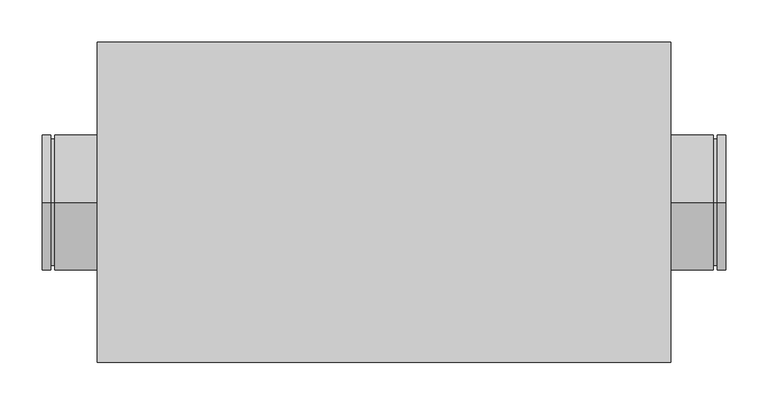
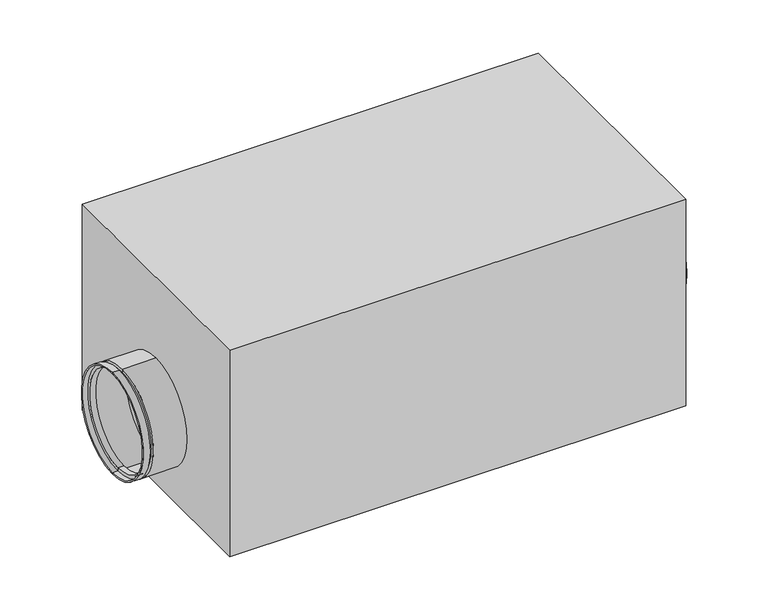
"""IFC4 building model written with IfcOpenShell, lengths in millimetres: proxy geometry."""

from ifc_helpers import new_model, si_unit, frame, origin, origin_with_axes, place, context, project, spatial, polyline, circle_curve, outline, extrude, source, transform, mapped, element, save
from ifc_brep_helpers import plane_surface, cylinder_surface, revolved_surface, advanced_brep


def mechanical_equipment_cd06f368(model_context):
    return source(origin(), model_context, "Body", "SolidModel", [
        advanced_brep(
        [(-405.0, 0.0, 40.0), (-405.0, 0.0, 196.0), (-405.0, 0.0, 198.0), (-405.0, 0.0, 38.0), (-340.0, 0.0, 38.0), (-340.0, 0.0, 198.0), (-340.0, 0.0, 196.0), (-340.0, 0.0, 40.0), (-390.0, 0.0, 38.0), (-390.0, 0.0, 198.0), (-390.0, 0.0, 43.0), (-390.0, 0.0, 193.0), (-395.0, 0.0, 43.0), (-395.0, 0.0, 193.0), (-395.0, 0.0, 38.0), (-395.0, 0.0, 198.0), (-397.0, 0.0, 40.0), (-397.0, 0.0, 196.0), (-397.0, 0.0, 45.0), (-397.0, 0.0, 191.0), (-388.0, 0.0, 45.0), (-388.0, 0.0, 191.0), (-388.0, 0.0, 40.0), (-388.0, 0.0, 196.0)],
        [
            (0, 1, circle_curve(frame((-405.0, 0.0, 118.0), z_axis=(1.0, 0.0, 0.0), x_axis=(0.0, 0.0, 1.0)), 78.0)),
            (1, 2),
            (2, 3, circle_curve(frame((-405.0, 0.0, 118.0), z_axis=(-1.0, 0.0, 0.0), x_axis=(0.0, 0.0, 1.0)), 80.0)),
            (3, 0),
            (1, 0, circle_curve(frame((-405.0, 0.0, 118.0), z_axis=(1.0, 0.0, 0.0), x_axis=(0.0, 0.0, 1.0)), 78.0)),
            (3, 2, circle_curve(frame((-405.0, 0.0, 118.0), z_axis=(-1.0, 0.0, 0.0), x_axis=(0.0, 0.0, 1.0)), 80.0)),
            (4, 5, circle_curve(frame((-340.0, 0.0, 118.0), z_axis=(1.0, 0.0, 0.0), x_axis=(0.0, 0.0, 1.0)), 80.0)),
            (5, 6),
            (6, 7, circle_curve(frame((-340.0, 0.0, 118.0), z_axis=(-1.0, 0.0, 0.0), x_axis=(0.0, 0.0, 1.0)), 78.0)),
            (7, 4),
            (5, 4, circle_curve(frame((-340.0, 0.0, 118.0), z_axis=(1.0, 0.0, 0.0), x_axis=(0.0, 0.0, 1.0)), 80.0)),
            (7, 6, circle_curve(frame((-340.0, 0.0, 118.0), z_axis=(-1.0, 0.0, 0.0), x_axis=(0.0, 0.0, 1.0)), 78.0)),
            (8, 9, circle_curve(frame((-390.0, 0.0, 118.0), z_axis=(1.0, 0.0, 0.0), x_axis=(0.0, 0.0, 1.0)), 80.0)),
            (9, 5),
            (4, 8),
            (9, 8, circle_curve(frame((-390.0, 0.0, 118.0), z_axis=(1.0, 0.0, 0.0), x_axis=(0.0, 0.0, 1.0)), 80.0)),
            (10, 11, circle_curve(frame((-390.0, 0.0, 118.0), z_axis=(1.0, 0.0, 0.0), x_axis=(0.0, 0.0, 1.0)), 75.0)),
            (11, 9),
            (8, 10),
            (11, 10, circle_curve(frame((-390.0, 0.0, 118.0), z_axis=(1.0, 0.0, 0.0), x_axis=(0.0, 0.0, 1.0)), 75.0)),
            (12, 13, circle_curve(frame((-395.0, 0.0, 118.0), z_axis=(1.0, 0.0, 0.0), x_axis=(0.0, 0.0, 1.0)), 75.0)),
            (13, 11),
            (10, 12),
            (13, 12, circle_curve(frame((-395.0, 0.0, 118.0), z_axis=(1.0, 0.0, 0.0), x_axis=(0.0, 0.0, 1.0)), 75.0)),
            (14, 15, circle_curve(frame((-395.0, 0.0, 118.0), z_axis=(1.0, 0.0, 0.0), x_axis=(0.0, 0.0, 1.0)), 80.0)),
            (15, 13),
            (12, 14),
            (15, 14, circle_curve(frame((-395.0, 0.0, 118.0), z_axis=(1.0, 0.0, 0.0), x_axis=(0.0, 0.0, 1.0)), 80.0)),
            (2, 15),
            (14, 3),
            (16, 17, circle_curve(frame((-397.0, 0.0, 118.0), z_axis=(1.0, 0.0, 0.0), x_axis=(0.0, 0.0, 1.0)), 78.0)),
            (17, 1),
            (0, 16),
            (17, 16, circle_curve(frame((-397.0, 0.0, 118.0), z_axis=(1.0, 0.0, 0.0), x_axis=(0.0, 0.0, 1.0)), 78.0)),
            (18, 19, circle_curve(frame((-397.0, 0.0, 118.0), z_axis=(1.0, 0.0, 0.0), x_axis=(0.0, 0.0, 1.0)), 73.0)),
            (19, 17),
            (16, 18),
            (19, 18, circle_curve(frame((-397.0, 0.0, 118.0), z_axis=(1.0, 0.0, 0.0), x_axis=(0.0, 0.0, 1.0)), 73.0)),
            (20, 21, circle_curve(frame((-388.0, 0.0, 118.0), z_axis=(1.0, 0.0, 0.0), x_axis=(0.0, 0.0, 1.0)), 73.0)),
            (21, 19),
            (18, 20),
            (21, 20, circle_curve(frame((-388.0, 0.0, 118.0), z_axis=(1.0, 0.0, 0.0), x_axis=(0.0, 0.0, 1.0)), 73.0)),
            (22, 23, circle_curve(frame((-388.0, 0.0, 118.0), z_axis=(1.0, 0.0, 0.0), x_axis=(0.0, 0.0, 1.0)), 78.0)),
            (23, 21),
            (20, 22),
            (23, 22, circle_curve(frame((-388.0, 0.0, 118.0), z_axis=(1.0, 0.0, 0.0), x_axis=(0.0, 0.0, 1.0)), 78.0)),
            (6, 23),
            (22, 7),
        ],
        [
            plane_surface(frame((-405.0, 0.0, 118.0), z_axis=(-1.0, 0.0, 0.0), x_axis=(0.0, 0.0, 1.0))),
            plane_surface(frame((-340.0, 0.0, 118.0), z_axis=(1.0, 0.0, 0.0), x_axis=(0.0, 0.0, 1.0))),
            cylinder_surface(frame((-1139.5786453, 0.0, 118.0), z_axis=(-1.0, 0.0, 0.0), x_axis=(0.0, 0.0, 1.0)), 80.0),
            plane_surface(frame((-390.0, 0.0, 118.0), z_axis=(-1.0, 0.0, 0.0), x_axis=(0.0, 0.0, 1.0))),
            cylinder_surface(frame((-1139.5786453, 0.0, 118.0), z_axis=(-1.0, 0.0, 0.0), x_axis=(0.0, 0.0, 1.0)), 75.0),
            plane_surface(frame((-395.0, 0.0, 118.0), z_axis=(1.0, 0.0, 0.0), x_axis=(0.0, 0.0, 1.0))),
            revolved_surface(polyline([(-405.0, 0.0, 196.0), (-397.0, 0.0, 196.0)]), (-1139.5786453, 0.0, 118.0), (-1.0, 0.0, 0.0)),
            plane_surface(frame((-397.0, 0.0, 118.0), z_axis=(-1.0, 0.0, 0.0), x_axis=(0.0, 0.0, 1.0))),
            revolved_surface(polyline([(-397.0, 0.0, 191.0), (-388.0, 0.0, 191.0)]), (-1139.5786453, 0.0, 118.0), (-1.0, 0.0, 0.0)),
            plane_surface(frame((-388.0, 0.0, 118.0), z_axis=(1.0, 0.0, 0.0), x_axis=(0.0, 0.0, 1.0))),
            revolved_surface(polyline([(-388.0, 0.0, 196.0), (-340.0, 0.0, 196.0)]), (-1139.5786453, 0.0, 118.0), (-1.0, 0.0, 0.0)),
        ],
        [
            (0, [[1, 2, 3, 4]]),
            (0, [[5, -4, 6, -2]]),
            (1, [[7, 8, 9, 10]]),
            (1, [[11, -10, 12, -8]]),
            (2, [[13, 14, -7, 15]]),
            (2, [[16, -15, -11, -14]]),
            (3, [[17, 18, -13, 19]]),
            (3, [[20, -19, -16, -18]]),
            (4, [[21, 22, -17, 23]]),
            (4, [[24, -23, -20, -22]]),
            (5, [[25, 26, -21, 27]]),
            (5, [[28, -27, -24, -26]]),
            (2, [[-3, 29, -25, 30]]),
            (2, [[-6, -30, -28, -29]]),
            (6, [[31, 32, -1, 33]]),
            (6, [[34, -33, -5, -32]]),
            (7, [[35, 36, -31, 37]]),
            (7, [[38, -37, -34, -36]]),
            (8, [[39, 40, -35, 41]]),
            (8, [[42, -41, -38, -40]]),
            (9, [[43, 44, -39, 45]]),
            (9, [[46, -45, -42, -44]]),
            (10, [[-9, 47, -43, 48]]),
            (10, [[-12, -48, -46, -47]]),
        ],
    ),
        advanced_brep(
        [(395.0, 0.0, 38.0), (395.0, 0.0, 198.0), (405.0, 0.0, 198.0), (405.0, 0.0, 38.0), (395.0, 0.0, 43.0), (395.0, 0.0, 193.0), (390.0, 0.0, 43.0), (390.0, 0.0, 193.0), (390.0, 0.0, 38.0), (390.0, 0.0, 198.0), (340.0, 0.0, 38.0), (340.0, 0.0, 198.0), (340.0, 0.0, 40.0), (340.0, 0.0, 196.0), (388.0, 0.0, 40.0), (388.0, 0.0, 196.0), (388.0, 0.0, 45.0), (388.0, 0.0, 191.0), (397.0, 0.0, 45.0), (397.0, 0.0, 191.0), (397.0, 0.0, 40.0), (397.0, 0.0, 196.0), (405.0, 0.0, 40.0), (405.0, 0.0, 196.0)],
        [
            (0, 1, circle_curve(frame((395.0, 0.0, 118.0), z_axis=(1.0, 0.0, 0.0), x_axis=(0.0, 0.0, 1.0)), 80.0)),
            (1, 2),
            (2, 3, circle_curve(frame((405.0, 0.0, 118.0), z_axis=(-1.0, 0.0, 0.0), x_axis=(0.0, 0.0, 1.0)), 80.0)),
            (3, 0),
            (1, 0, circle_curve(frame((395.0, 0.0, 118.0), z_axis=(1.0, 0.0, 0.0), x_axis=(0.0, 0.0, 1.0)), 80.0)),
            (3, 2, circle_curve(frame((405.0, 0.0, 118.0), z_axis=(-1.0, 0.0, 0.0), x_axis=(0.0, 0.0, 1.0)), 80.0)),
            (4, 5, circle_curve(frame((395.0, 0.0, 118.0), z_axis=(1.0, 0.0, 0.0), x_axis=(0.0, 0.0, 1.0)), 75.0)),
            (5, 1),
            (0, 4),
            (5, 4, circle_curve(frame((395.0, 0.0, 118.0), z_axis=(1.0, 0.0, 0.0), x_axis=(0.0, 0.0, 1.0)), 75.0)),
            (6, 7, circle_curve(frame((390.0, 0.0, 118.0), z_axis=(1.0, 0.0, 0.0), x_axis=(0.0, 0.0, 1.0)), 75.0)),
            (7, 5),
            (4, 6),
            (7, 6, circle_curve(frame((390.0, 0.0, 118.0), z_axis=(1.0, 0.0, 0.0), x_axis=(0.0, 0.0, 1.0)), 75.0)),
            (8, 9, circle_curve(frame((390.0, 0.0, 118.0), z_axis=(1.0, 0.0, 0.0), x_axis=(0.0, 0.0, 1.0)), 80.0)),
            (9, 7),
            (6, 8),
            (9, 8, circle_curve(frame((390.0, 0.0, 118.0), z_axis=(1.0, 0.0, 0.0), x_axis=(0.0, 0.0, 1.0)), 80.0)),
            (10, 11, circle_curve(frame((340.0, 0.0, 118.0), z_axis=(1.0, 0.0, 0.0), x_axis=(0.0, 0.0, 1.0)), 80.0)),
            (11, 9),
            (8, 10),
            (11, 10, circle_curve(frame((340.0, 0.0, 118.0), z_axis=(1.0, 0.0, 0.0), x_axis=(0.0, 0.0, 1.0)), 80.0)),
            (12, 13, circle_curve(frame((340.0, 0.0, 118.0), z_axis=(1.0, 0.0, 0.0), x_axis=(0.0, 0.0, 1.0)), 78.0)),
            (13, 11),
            (10, 12),
            (13, 12, circle_curve(frame((340.0, 0.0, 118.0), z_axis=(1.0, 0.0, 0.0), x_axis=(0.0, 0.0, 1.0)), 78.0)),
            (14, 15, circle_curve(frame((388.0, 0.0, 118.0), z_axis=(1.0, 0.0, 0.0), x_axis=(0.0, 0.0, 1.0)), 78.0)),
            (15, 13),
            (12, 14),
            (15, 14, circle_curve(frame((388.0, 0.0, 118.0), z_axis=(1.0, 0.0, 0.0), x_axis=(0.0, 0.0, 1.0)), 78.0)),
            (16, 17, circle_curve(frame((388.0, 0.0, 118.0), z_axis=(1.0, 0.0, 0.0), x_axis=(0.0, 0.0, 1.0)), 73.0)),
            (17, 15),
            (14, 16),
            (17, 16, circle_curve(frame((388.0, 0.0, 118.0), z_axis=(1.0, 0.0, 0.0), x_axis=(0.0, 0.0, 1.0)), 73.0)),
            (18, 19, circle_curve(frame((397.0, 0.0, 118.0), z_axis=(1.0, 0.0, 0.0), x_axis=(0.0, 0.0, 1.0)), 73.0)),
            (19, 17),
            (16, 18),
            (19, 18, circle_curve(frame((397.0, 0.0, 118.0), z_axis=(1.0, 0.0, 0.0), x_axis=(0.0, 0.0, 1.0)), 73.0)),
            (20, 21, circle_curve(frame((397.0, 0.0, 118.0), z_axis=(1.0, 0.0, 0.0), x_axis=(0.0, 0.0, 1.0)), 78.0)),
            (21, 19),
            (18, 20),
            (21, 20, circle_curve(frame((397.0, 0.0, 118.0), z_axis=(1.0, 0.0, 0.0), x_axis=(0.0, 0.0, 1.0)), 78.0)),
            (22, 23, circle_curve(frame((405.0, 0.0, 118.0), z_axis=(1.0, 0.0, 0.0), x_axis=(0.0, 0.0, 1.0)), 78.0)),
            (23, 21),
            (20, 22),
            (23, 22, circle_curve(frame((405.0, 0.0, 118.0), z_axis=(1.0, 0.0, 0.0), x_axis=(0.0, 0.0, 1.0)), 78.0)),
            (2, 23),
            (22, 3),
        ],
        [
            cylinder_surface(frame((-1139.5786453, 0.0, 118.0), z_axis=(-1.0, 0.0, 0.0), x_axis=(0.0, 0.0, 1.0)), 80.0),
            plane_surface(frame((395.0, 0.0, 118.0), z_axis=(-1.0, 0.0, 0.0), x_axis=(0.0, 0.0, 1.0))),
            cylinder_surface(frame((-1139.5786453, 0.0, 118.0), z_axis=(-1.0, 0.0, 0.0), x_axis=(0.0, 0.0, 1.0)), 75.0),
            plane_surface(frame((390.0, 0.0, 118.0), z_axis=(1.0, 0.0, 0.0), x_axis=(0.0, 0.0, 1.0))),
            plane_surface(frame((340.0, 0.0, 118.0), z_axis=(-1.0, 0.0, 0.0), x_axis=(0.0, 0.0, 1.0))),
            revolved_surface(polyline([(340.0, 0.0, 196.0), (388.0, 0.0, 196.0)]), (-1139.5786453, 0.0, 118.0), (-1.0, 0.0, 0.0)),
            plane_surface(frame((388.0, 0.0, 118.0), z_axis=(-1.0, 0.0, 0.0), x_axis=(0.0, 0.0, 1.0))),
            revolved_surface(polyline([(388.0, 0.0, 191.0), (397.0, 0.0, 191.0)]), (-1139.5786453, 0.0, 118.0), (-1.0, 0.0, 0.0)),
            plane_surface(frame((397.0, 0.0, 118.0), z_axis=(1.0, 0.0, 0.0), x_axis=(0.0, 0.0, 1.0))),
            revolved_surface(polyline([(397.0, 0.0, 196.0), (405.0, 0.0, 196.0)]), (-1139.5786453, 0.0, 118.0), (-1.0, 0.0, 0.0)),
            plane_surface(frame((405.0, 0.0, 118.0), z_axis=(1.0, 0.0, 0.0), x_axis=(0.0, 0.0, 1.0))),
        ],
        [
            (0, [[1, 2, 3, 4]]),
            (0, [[5, -4, 6, -2]]),
            (1, [[7, 8, -1, 9]]),
            (1, [[10, -9, -5, -8]]),
            (2, [[11, 12, -7, 13]]),
            (2, [[14, -13, -10, -12]]),
            (3, [[15, 16, -11, 17]]),
            (3, [[18, -17, -14, -16]]),
            (0, [[19, 20, -15, 21]]),
            (0, [[22, -21, -18, -20]]),
            (4, [[23, 24, -19, 25]]),
            (4, [[26, -25, -22, -24]]),
            (5, [[27, 28, -23, 29]]),
            (5, [[30, -29, -26, -28]]),
            (6, [[31, 32, -27, 33]]),
            (6, [[34, -33, -30, -32]]),
            (7, [[35, 36, -31, 37]]),
            (7, [[38, -37, -34, -36]]),
            (8, [[39, 40, -35, 41]]),
            (8, [[42, -41, -38, -40]]),
            (9, [[43, 44, -39, 45]]),
            (9, [[46, -45, -42, -44]]),
            (10, [[-3, 47, -43, 48]]),
            (10, [[-6, -48, -46, -47]]),
        ],
    ),
        extrude(outline(polyline([(-340.0, -190.0), (-340.0, 190.0), (340.0, 190.0), (340.0, -190.0), (-340.0, -190.0)])), origin_with_axes(), (0.0, 0.0, 1.0), 325.0),
    ])


if __name__ == "__main__":
    model = new_model("IFC4")
    model_context = context("Model", 3, world=origin())
    ifc_project = project(units=[si_unit("LENGTHUNIT", "METRE", prefix="MILLI")], contexts=[model_context])
    site = spatial("IfcSite", under=ifc_project)
    building = spatial("IfcBuilding", under=site)
    placement = place(None, origin())
    mechanical_equipment_shape = mechanical_equipment_cd06f368(model_context)
    element("IfcBuildingElementProxy", 1, Name="Mechanical Equipment", at=placement, inside=building, context=model_context, shape_type="MappedRepresentation", body=[
        mapped(mechanical_equipment_shape, transform((0.0, 0.0, 0.0), x_axis=(1.0, 0.0, 0.0), y_axis=(0.0, 1.0, 0.0), z_axis=(0.0, 0.0, 1.0))),
    ])
    save(model, "model.ifc")
